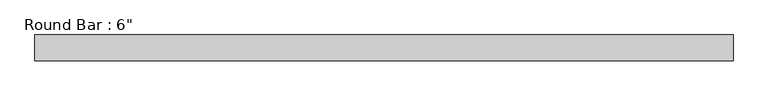
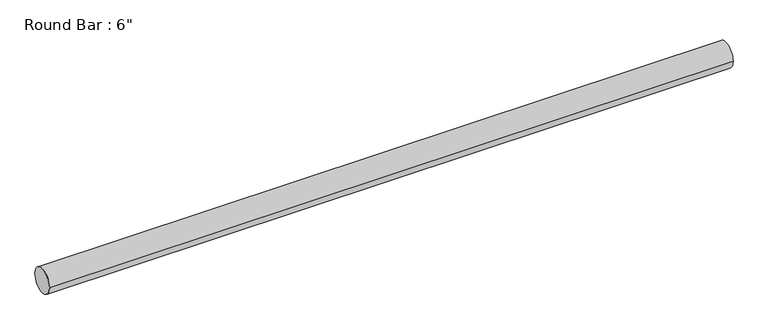
"""IFC4 building model written with IfcOpenShell, lengths in millimetres: beam geometry."""

from ifc_helpers import new_model, si_unit, point, frame, origin, origin_2d, place, context, project, spatial, circle_curve, trimmed, segment, composite_curve, outline, extrude, source, transform, mapped, element, save


def beam_91824f58(model_context):
    return source(origin(), model_context, "Body", "SweptSolid", [
        extrude(outline(composite_curve([segment(trimmed(circle_curve(origin_2d(), 76.2), [point((-76.2, 0.0))], [point((76.2, 0.0))], False, "CARTESIAN"), True, "CONTINUOUS"), segment(trimmed(circle_curve(origin_2d(), 76.2), [point((76.2, 0.0))], [point((-76.2, 0.0))], False, "CARTESIAN"), True, "CONTINUOUS")], self_intersect=False)), frame((-2074.3723442, 0.0, 0.0), z_axis=(1.0, 0.0, 0.0), x_axis=(0.0, 1.0, 0.0)), (0.0, 0.0, 1.0), 4122.0265051),
    ])


if __name__ == "__main__":
    model = new_model("IFC4")
    model_context = context("Model", 3, world=origin())
    ifc_project = project(units=[si_unit("LENGTHUNIT", "METRE", prefix="MILLI")], contexts=[model_context])
    site = spatial("IfcSite", under=ifc_project)
    building = spatial("IfcBuilding", under=site)
    placement = place(None, origin())
    beam_shape = beam_91824f58(model_context)
    element("IfcBeam", 1, ObjectType="Round Bar : 6\"", at=placement, inside=building, context=model_context, shape_type="MappedRepresentation", body=[
        mapped(beam_shape, transform((0.0, 0.0, 0.0), x_axis=(1.0, 0.0, 0.0), y_axis=(0.0, 1.0, 0.0), z_axis=(0.0, 0.0, 1.0))),
    ])
    save(model, "model.ifc")
